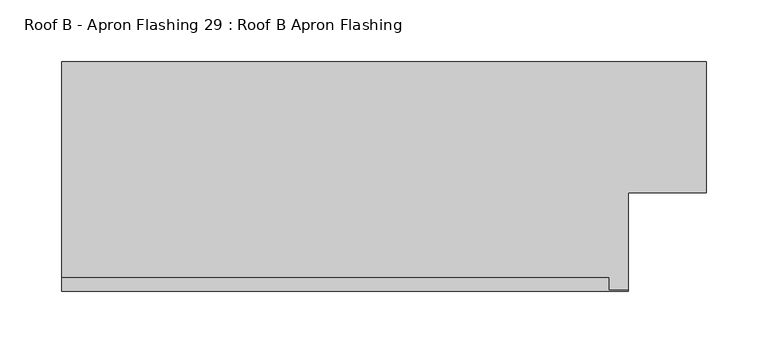
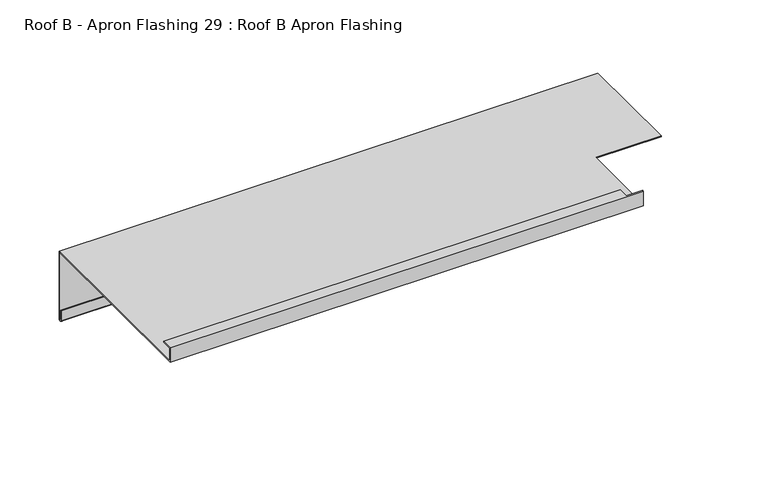
"""IFC4 building model written with IfcOpenShell, lengths in millimetres: proxy geometry, Roof B - Apron Flashing 29 : Roof B Apron Flashing."""

from ifc_helpers import new_model, si_unit, frame, origin, place, context, project, spatial, polyline, circle_curve, source, transform, mapped, element, save
from ifc_brep_helpers import plane_surface, cylinder_surface, revolved_surface, advanced_brep


def roof_b_apron_flashing_29_roof_b_apron_flashing_6f87698a(model_context):
    return source(origin(), model_context, "Body", "AdvancedBrep", [
        advanced_brep(
        [(16290.7910961, 10655.8026399, -986.662203), (16290.7910961, 10655.8026399, -1055.0764166), (16290.7910961, 10654.8026399, -1055.0764166), (16290.7910961, 10654.8026399, -1045.1233066), (16290.7910961, 10653.8026399, -1045.1233066), (16290.7910961, 10653.8026399, -1055.0764166), (16290.7910961, 10656.8026399, -1055.0764166), (16290.7910961, 10656.8026399, -985.662203), (16290.7910961, 10550.3594915, -985.662203), (16290.7910961, 10550.3594915, -986.662203), (15767.4791786, 10656.8026399, -985.662203), (15767.4791786, 10656.8026399, -1055.0764166), (15767.4791786, 10653.8026399, -1055.0764166), (15767.4791786, 10653.8026399, -1045.1233066), (15767.4791786, 10654.8026399, -1045.1233066), (15767.4791786, 10654.8026399, -1055.0764166), (15767.4791786, 10655.8026399, -1055.0764166), (15767.4791786, 10655.8026399, -986.662203), (15767.4791786, 10470.3615096, -986.662203), (15767.4791786, 10470.3615096, -971.662203), (15767.4791786, 10481.3998223, -971.662203), (15767.4791786, 10481.3998223, -972.662203), (15767.4791786, 10471.3615096, -972.662203), (15767.4791786, 10471.3615096, -985.662203), (16227.4791786, 10471.3615096, -985.662203), (16227.4791786, 10550.3594915, -985.662203), (16227.4791786, 10550.3594915, -986.662203), (16227.4791786, 10470.3615096, -986.662203), (16211.3516031, 10471.3615096, -972.662203), (16211.3516031, 10471.3615096, -971.662203), (16227.4791786, 10471.3615096, -971.662203), (16211.3516031, 10481.3998223, -972.662203), (16211.3516031, 10481.3998223, -971.662203), (16227.4791786, 10470.3615096, -971.662203)],
        [
            (0, 1),
            (1, 2, circle_curve(frame((16290.7910961, 10655.3026399, -1055.0764166), z_axis=(-1.0, 0.0, 0.0), x_axis=(0.0, 0.0, 1.0)), 0.5)),
            (2, 3),
            (3, 4),
            (4, 5),
            (5, 6, circle_curve(frame((16290.7910961, 10655.3026399, -1055.0764166), z_axis=(1.0, 0.0, 0.0), x_axis=(0.0, 0.0, 1.0)), 1.5)),
            (6, 7),
            (7, 8),
            (8, 9),
            (9, 0),
            (10, 11),
            (11, 12, circle_curve(frame((15767.4791786, 10655.3026399, -1055.0764166), z_axis=(-1.0, 0.0, 0.0), x_axis=(0.0, 0.0, 1.0)), 1.5)),
            (12, 13),
            (13, 14),
            (14, 15),
            (15, 16, circle_curve(frame((15767.4791786, 10655.3026399, -1055.0764166), z_axis=(1.0, 0.0, 0.0), x_axis=(0.0, 0.0, 1.0)), 0.5)),
            (16, 17),
            (17, 18),
            (18, 19),
            (19, 20),
            (20, 21),
            (21, 22),
            (22, 23),
            (23, 10),
            (23, 24),
            (24, 25),
            (25, 8),
            (7, 10),
            (17, 0),
            (9, 26),
            (26, 27),
            (27, 18),
            (16, 1),
            (6, 11),
            (22, 28),
            (28, 29),
            (29, 30),
            (30, 24),
            (21, 31),
            (31, 28),
            (20, 32),
            (32, 31),
            (19, 33),
            (33, 30),
            (29, 32),
            (27, 33),
            (15, 2),
            (14, 3),
            (13, 4),
            (12, 5),
            (26, 25),
        ],
        [
            plane_surface(frame((16290.7910961, 10462.3294164, -1042.7388515), z_axis=(1.0, 0.0, 0.0), x_axis=(0.0, 1.0, 0.0))),
            plane_surface(frame((15767.4791786, 10462.3294164, -1042.7388515), z_axis=(-1.0, 0.0, 0.0), x_axis=(0.0, 1.0, 0.0))),
            plane_surface(frame((16290.7910961, 10656.8026399, -985.662203), z_axis=(0.0, 0.0, 1.0), x_axis=(-1.0, 0.0, 0.0))),
            plane_surface(frame((16290.7910961, 10470.3615096, -986.662203), z_axis=(0.0, 0.0, -1.0), x_axis=(-1.0, 0.0, 0.0))),
            plane_surface(frame((16290.7910961, 10655.8026399, -986.662203), z_axis=(0.0, -1.0, 0.0), x_axis=(-1.0, 0.0, 0.0))),
            plane_surface(frame((16290.7910961, 10656.8026399, -1055.0764166), z_axis=(0.0, 1.0, 0.0), x_axis=(-1.0, 0.0, 0.0))),
            plane_surface(frame((16290.7910961, 10471.3615096, -985.662203), z_axis=(0.0, 1.0, 0.0), x_axis=(-1.0, 0.0, 0.0))),
            plane_surface(frame((16290.7910961, 10471.3615096, -972.662203), z_axis=(0.0, 0.0, -1.0), x_axis=(-1.0, 0.0, 0.0))),
            plane_surface(frame((16290.7910961, 10481.3998223, -972.662203), z_axis=(0.0, 1.0, 0.0), x_axis=(-1.0, 0.0, 0.0))),
            plane_surface(frame((16290.7910961, 10481.3998223, -971.662203), z_axis=(0.0, 0.0, 1.0), x_axis=(-1.0, 0.0, 0.0))),
            plane_surface(frame((16290.7910961, 10470.3615096, -971.662203), z_axis=(0.0, -1.0, 0.0), x_axis=(-1.0, 0.0, 0.0))),
            revolved_surface(polyline([(15767.4791786, 10655.3026399, -1054.5764166), (16290.7910961, 10655.3026399, -1054.5764166)]), (16290.7910961, 10655.3026399, -1055.0764166), (-1.0, 0.0, 0.0)),
            plane_surface(frame((16290.7910961, 10654.8026399, -1055.0764166), z_axis=(0.0, 1.0, 0.0), x_axis=(-1.0, 0.0, 0.0))),
            plane_surface(frame((16290.7910961, 10654.8026399, -1045.1233066), z_axis=(0.0, 0.0, 1.0), x_axis=(-1.0, 0.0, 0.0))),
            plane_surface(frame((16290.7910961, 10653.8026399, -1045.1233066), z_axis=(0.0, -1.0, 0.0), x_axis=(-1.0, 0.0, 0.0))),
            cylinder_surface(frame((16290.7910961, 10655.3026399, -1055.0764166), z_axis=(1.0, 0.0, 0.0), x_axis=(0.0, 0.0, 1.0)), 1.5),
            plane_surface(frame((16227.4791786, 10550.3594915, -1079.9089722), z_axis=(1.0, 0.0, 0.0), x_axis=(0.0, -0.9659258262890683, 0.25881904510252074))),
            plane_surface(frame((16227.4791786, 10550.3594915, -852.4830665), z_axis=(0.0, -1.0, 0.0), x_axis=(1.0, 0.0, 0.0))),
            plane_surface(frame((16211.3516031, 10471.3615603, -884.3834078), z_axis=(1.0, 0.0, 0.0), x_axis=(0.0, 0.0, -1.0))),
        ],
        [
            (0, [[1, 2, 3, 4, 5, 6, 7, 8, 9, 10]]),
            (1, [[11, 12, 13, 14, 15, 16, 17, 18, 19, 20, 21, 22, 23, 24]]),
            (2, [[-24, 25, 26, 27, -8, 28]]),
            (3, [[-18, 29, -10, 30, 31, 32]]),
            (4, [[-1, -29, -17, 33]]),
            (5, [[-7, 34, -11, -28]]),
            (6, [[-23, 35, 36, 37, 38, -25]]),
            (7, [[-22, 39, 40, -35]]),
            (8, [[-21, 41, 42, -39]]),
            (9, [[-20, 43, 44, -37, 45, -41]]),
            (10, [[-19, -32, 46, -43]]),
            (11, [[-2, -33, -16, 47]]),
            (12, [[-3, -47, -15, 48]]),
            (13, [[-4, -48, -14, 49]]),
            (14, [[-5, -49, -13, 50]]),
            (15, [[-6, -50, -12, -34]]),
            (16, [[51, -26, -38, -44, -46, -31]]),
            (17, [[-51, -30, -9, -27]]),
            (18, [[-36, -40, -42, -45]]),
        ],
    ),
    ])


if __name__ == "__main__":
    model = new_model("IFC4")
    model_context = context("Model", 3, world=origin())
    ifc_project = project(units=[si_unit("LENGTHUNIT", "METRE", prefix="MILLI")], contexts=[model_context])
    site = spatial("IfcSite", under=ifc_project)
    building = spatial("IfcBuilding", under=site)
    placement = place(None, origin())
    roof_b_apron_flashing_29_roof_b_apron_flashing_shape = roof_b_apron_flashing_29_roof_b_apron_flashing_6f87698a(model_context)
    element("IfcBuildingElementProxy", 1, Name="Roof B - Apron Flashing 29 : Roof B Apron Flashing", ObjectType="Roof B - Apron Flashing 29 : Roof B Apron Flashing", at=placement, inside=building, context=model_context, shape_type="MappedRepresentation", body=[
        mapped(roof_b_apron_flashing_29_roof_b_apron_flashing_shape, transform((0.0, 0.0, 0.0), x_axis=(1.0, 0.0, 0.0), y_axis=(0.0, 1.0, 0.0), z_axis=(0.0, 0.0, 1.0))),
    ])
    save(model, "model.ifc")
